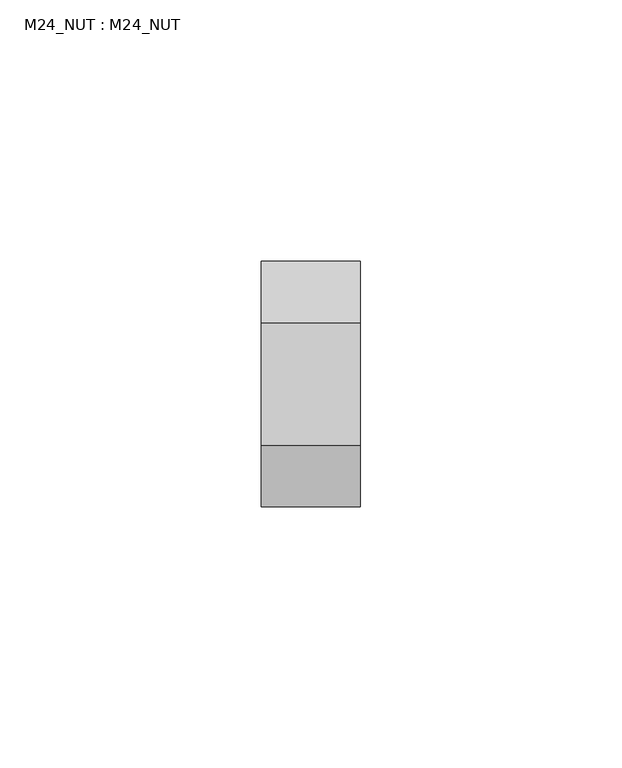
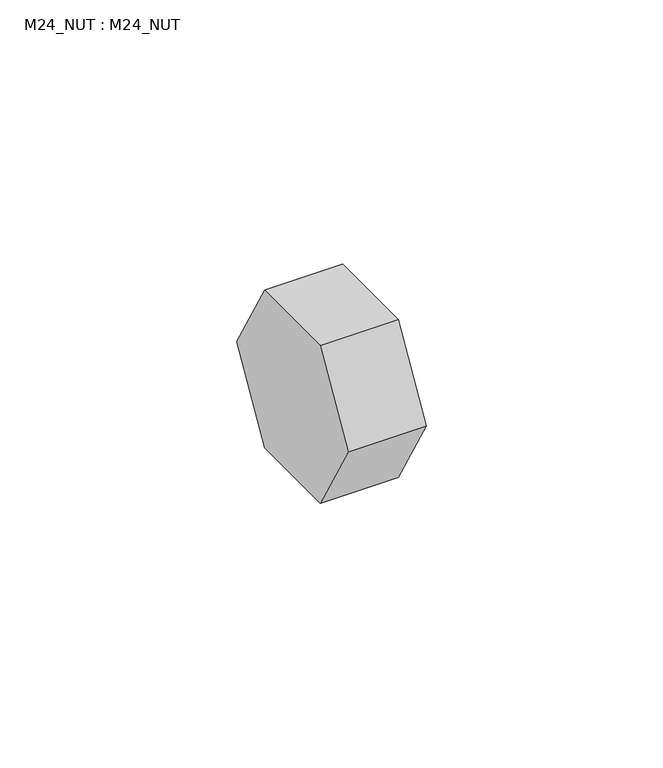
"""IFC4 building model written with IfcOpenShell, lengths in millimetres: beam geometry, M24_NUT : M24_NUT."""

from ifc_helpers import new_model, si_unit, frame, origin, place, context, project, spatial, polyline, outline, extrude, source, transform, mapped, element, save


def m24_nut_m24_nut_d291278b(model_context):
    return source(origin(), model_context, "Body", "SweptSolid", [
        extrude(outline(polyline([(-11.75, -20.351597), (-23.5, 0.0), (-11.75, 20.351597), (11.75, 20.351597), (23.5, 0.0), (11.75, -20.351597), (-11.75, -20.351597)])), frame((0.0, 0.0, 0.0), z_axis=(1.0, 0.0, 0.0), x_axis=(0.0, 1.0, 0.0)), (0.0, 0.0, 1.0), 19.0),
    ])


if __name__ == "__main__":
    model = new_model("IFC4")
    model_context = context("Model", 3, world=origin())
    ifc_project = project(units=[si_unit("LENGTHUNIT", "METRE", prefix="MILLI")], contexts=[model_context])
    site = spatial("IfcSite", under=ifc_project)
    building = spatial("IfcBuilding", under=site)
    placement = place(None, origin())
    m24_nut_m24_nut_shape = m24_nut_m24_nut_d291278b(model_context)
    element("IfcBeam", 1, ObjectType="M24_NUT : M24_NUT", at=placement, inside=building, context=model_context, shape_type="MappedRepresentation", body=[
        mapped(m24_nut_m24_nut_shape, transform((0.0, 0.0, 0.0), x_axis=(1.0, 0.0, 0.0), y_axis=(0.0, 1.0, 0.0), z_axis=(0.0, 0.0, 1.0))),
    ])
    save(model, "model.ifc")
